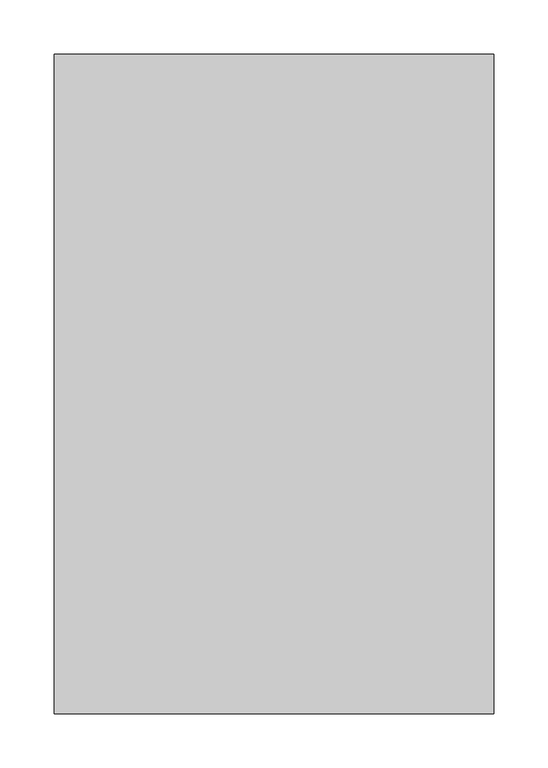
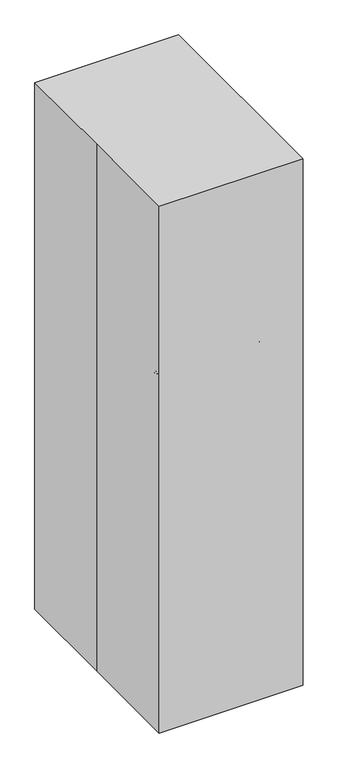
"""IFC4 building model written with IfcOpenShell, lengths in millimetres: proxy geometry."""

from ifc_helpers import new_model, si_unit, point, frame, origin, origin_with_axes, place, context, project, spatial, polyline, circle_curve, ellipse_curve, trimmed, outline, extrude, source, transform, mapped, element, save
from ifc_brep_helpers import plane_surface, cylinder_surface, revolved_surface, advanced_brep


def specialty_equipment_eab72f15(model_context):
    return source(origin(), model_context, "Body", "SolidModel", [
        advanced_brep(
        [(-123.5140783, -201.8552552, 999.8159151), (-123.5140783, -201.8552552, 996.6409151), (-136.2140783, -189.1552552, 996.6409151), (-136.2140783, -189.1552552, 999.8159151), (-123.5140783, -224.0802552, 1002.9909151), (-123.5140783, -220.9052552, 999.8159151), (-155.2640783, -189.1552552, 999.8159151), (-158.4390783, -189.1552552, 1002.9909151), (-123.5140783, -224.0802552, 1015.2574617), (-158.4390783, -189.1552552, 1015.2574617), (-123.5140783, -226.4102935, 1017.5875), (-160.7691166, -189.1552552, 1017.5875), (-123.5140783, -233.6052552, 1015.5808485), (-123.5140783, -231.5986038, 1017.5875), (-165.9574268, -189.1552552, 1017.5875), (-167.9640783, -189.1552552, 1015.5808485), (-123.5140783, -233.6052552, 1011.9917262), (-167.9640783, -189.1552552, 1011.9917262), (-123.5140783, -232.8510291, 1011.2375), (-167.2098521, -189.1552552, 1011.2375), (-123.5140783, -232.0177552, 1016.0), (-123.5140783, -232.0177552, 1011.2375), (-166.3765783, -189.1552552, 1011.2375), (-166.3765783, -189.1552552, 1016.0), (-123.5140783, -227.2552552, 1002.9909151), (-123.5140783, -227.2552552, 1016.0), (-161.6140783, -189.1552552, 1016.0), (-161.6140783, -189.1552552, 1002.9909151), (-123.5140783, -220.9052552, 996.6409151), (-155.2640783, -189.1552552, 996.6409151), (124.1359217, -201.8552552, 999.8159151), (124.1359217, -201.8552552, 996.6409151), (124.1359217, -224.0802552, 1002.9909151), (124.1359217, -220.9052552, 999.8159151), (124.1359217, -224.0802552, 1015.2574617), (124.1359217, -226.4102935, 1017.5875), (124.1359217, -233.6052552, 1015.5808485), (124.1359217, -231.5986038, 1017.5875), (124.1359217, -233.6052552, 1011.9917262), (124.1359217, -232.8510291, 1011.2375), (124.1359217, -232.0177552, 1016.0), (124.1359217, -232.0177552, 1011.2375), (124.1359217, -227.2552552, 1002.9909151), (124.1359217, -227.2552552, 1016.0), (124.1359217, -220.9052552, 996.6409151), (136.8359217, -189.1552552, 999.8159151), (136.8359217, -189.1552552, 996.6409151), (159.0609217, -189.1552552, 1002.9909151), (155.8859217, -189.1552552, 999.8159151), (159.0609217, -189.1552552, 1015.2574617), (161.39096, -189.1552552, 1017.5875), (168.5859217, -189.1552552, 1015.5808485), (166.5792702, -189.1552552, 1017.5875), (168.5859217, -189.1552552, 1011.9917262), (167.8316955, -189.1552552, 1011.2375), (166.9984217, -189.1552552, 1016.0), (166.9984217, -189.1552552, 1011.2375), (162.2359217, -189.1552552, 1002.9909151), (162.2359217, -189.1552552, 1016.0), (155.8859217, -189.1552552, 996.6409151), (136.8359217, 223.5947448, 999.8159151), (136.8359217, 223.5947448, 996.6409151), (159.0609217, 223.5947448, 1002.9909151), (155.8859217, 223.5947448, 999.8159151), (159.0609217, 223.5947448, 1015.2574617), (161.39096, 223.5947448, 1017.5875), (168.5859217, 223.5947448, 1015.5808485), (166.5792702, 223.5947448, 1017.5875), (168.5859217, 223.5947448, 1011.9917262), (167.8316955, 223.5947448, 1011.2375), (166.9984217, 223.5947448, 1016.0), (166.9984217, 223.5947448, 1011.2375), (162.2359217, 223.5947448, 1002.9909151), (162.2359217, 223.5947448, 1016.0), (155.8859217, 223.5947448, 996.6409151), (124.1359217, 236.2947448, 999.8159151), (124.1359217, 236.2947448, 996.6409151), (124.1359217, 258.5197448, 1002.9909151), (124.1359217, 255.3447448, 999.8159151), (124.1359217, 258.5197448, 1015.2574617), (124.1359217, 260.849783, 1017.5875), (124.1359217, 268.0447448, 1015.5808485), (124.1359217, 266.0380933, 1017.5875), (124.1359217, 268.0447448, 1011.9917262), (124.1359217, 267.2905186, 1011.2375), (124.1359217, 266.4572448, 1016.0), (124.1359217, 266.4572448, 1011.2375), (124.1359217, 261.6947448, 1002.9909151), (124.1359217, 261.6947448, 1016.0), (124.1359217, 255.3447448, 996.6409151), (-123.5140783, 236.2947448, 999.8159151), (-123.5140783, 236.2947448, 996.6409151), (-123.5140783, 258.5197448, 1002.9909151), (-123.5140783, 255.3447448, 999.8159151), (-123.5140783, 258.5197448, 1015.2574617), (-123.5140783, 260.849783, 1017.5875), (-123.5140783, 268.0447448, 1015.5808485), (-123.5140783, 266.0380933, 1017.5875), (-123.5140783, 268.0447448, 1011.9917262), (-123.5140783, 267.2905186, 1011.2375), (-123.5140783, 266.4572448, 1016.0), (-123.5140783, 266.4572448, 1011.2375), (-123.5140783, 261.6947448, 1002.9909151), (-123.5140783, 261.6947448, 1016.0), (-123.5140783, 255.3447448, 996.6409151), (-136.2140783, 223.5947448, 999.8159151), (-136.2140783, 223.5947448, 996.6409151), (-155.2640783, 223.5947448, 999.8159151), (-158.4390783, 223.5947448, 1002.9909151), (-158.4390783, 223.5947448, 1015.2574617), (-160.7691166, 223.5947448, 1017.5875), (-165.9574268, 223.5947448, 1017.5875), (-167.9640783, 223.5947448, 1015.5808485), (-167.9640783, 223.5947448, 1011.9917262), (-167.2098521, 223.5947448, 1011.2375), (-166.3765783, 223.5947448, 1011.2375), (-166.3765783, 223.5947448, 1016.0), (-161.6140783, 223.5947448, 1016.0), (-161.6140783, 223.5947448, 1002.9909151), (-155.2640783, 223.5947448, 996.6409151)],
        [
            (0, 1),
            (1, 2, circle_curve(frame((-123.5140783, -189.1552552, 996.6409151), z_axis=(0.0, 0.0, -1.0), x_axis=(-1.0, 0.0, 0.0)), 12.7)),
            (2, 3),
            (3, 0, circle_curve(frame((-123.5140783, -189.1552552, 999.8159151), z_axis=(0.0, 0.0, 1.0), x_axis=(-1.0, 0.0, 0.0)), 12.7)),
            (4, 5, circle_curve(frame((-123.5140783, -220.9052552, 1002.9909151), z_axis=(1.0, 0.0, 0.0), x_axis=(0.0, -1.0, 0.0)), 3.175)),
            (5, 6, circle_curve(frame((-123.5140783, -189.1552552, 999.8159151), z_axis=(0.0, 0.0, -1.0), x_axis=(-1.0, 0.0, 0.0)), 31.75)),
            (6, 7, circle_curve(frame((-155.2640783, -189.1552552, 1002.9909151), z_axis=(0.0, 1.0, 0.0), x_axis=(-1.0, 0.0, 0.0)), 3.175)),
            (7, 4, circle_curve(frame((-123.5140783, -189.1552552, 1002.9909151), z_axis=(0.0, 0.0, 1.0), x_axis=(-1.0, 0.0, 0.0)), 34.925)),
            (8, 4),
            (7, 9),
            (9, 8, circle_curve(frame((-123.5140783, -189.1552552, 1015.2574617), z_axis=(0.0, 0.0, 1.0), x_axis=(-1.0, 0.0, 0.0)), 34.925)),
            (10, 8, circle_curve(frame((-123.5140783, -226.4102935, 1015.2574617), z_axis=(-1.0, 0.0, 0.0), x_axis=(0.0, -1.0, 0.0)), 2.3300383)),
            (9, 11, circle_curve(frame((-160.7691166, -189.1552552, 1015.2574617), z_axis=(0.0, -1.0, 0.0), x_axis=(-1.0, 0.0, 0.0)), 2.3300383)),
            (11, 10, circle_curve(frame((-123.5140783, -189.1552552, 1017.5875), z_axis=(0.0, 0.0, 1.0), x_axis=(-1.0, 0.0, 0.0)), 37.2550383)),
            (12, 13, circle_curve(frame((-123.5140783, -231.5986038, 1015.5808485), z_axis=(-1.0, 0.0, 0.0), x_axis=(0.0, -1.0, 0.0)), 2.0066515)),
            (13, 14, circle_curve(frame((-123.5140783, -189.1552552, 1017.5875), z_axis=(0.0, 0.0, -1.0), x_axis=(-1.0, 0.0, 0.0)), 42.4433485)),
            (14, 15, circle_curve(frame((-165.9574268, -189.1552552, 1015.5808485), z_axis=(0.0, -1.0, 0.0), x_axis=(-1.0, 0.0, 0.0)), 2.0066515)),
            (15, 12, circle_curve(frame((-123.5140783, -189.1552552, 1015.5808485), z_axis=(0.0, 0.0, 1.0), x_axis=(-1.0, 0.0, 0.0)), 44.45)),
            (16, 12),
            (15, 17),
            (17, 16, circle_curve(frame((-123.5140783, -189.1552552, 1011.9917262), z_axis=(0.0, 0.0, 1.0), x_axis=(-1.0, 0.0, 0.0)), 44.45)),
            (18, 16, circle_curve(frame((-123.5140783, -232.8510291, 1011.9917262), z_axis=(-1.0, 0.0, 0.0), x_axis=(0.0, -1.0, 0.0)), 0.7542262)),
            (17, 19, circle_curve(frame((-167.2098521, -189.1552552, 1011.9917262), z_axis=(0.0, -1.0, 0.0), x_axis=(-1.0, 0.0, 0.0)), 0.7542262)),
            (19, 18, circle_curve(frame((-123.5140783, -189.1552552, 1011.2375), z_axis=(0.0, 0.0, 1.0), x_axis=(-1.0, 0.0, 0.0)), 43.6957738)),
            (20, 21),
            (21, 22, circle_curve(frame((-123.5140783, -189.1552552, 1011.2375), z_axis=(0.0, 0.0, -1.0), x_axis=(-1.0, 0.0, 0.0)), 42.8625)),
            (22, 23),
            (23, 20, circle_curve(frame((-123.5140783, -189.1552552, 1016.0), z_axis=(0.0, 0.0, 1.0), x_axis=(-1.0, 0.0, 0.0)), 42.8625)),
            (24, 25),
            (25, 26, circle_curve(frame((-123.5140783, -189.1552552, 1016.0), z_axis=(0.0, 0.0, -1.0), x_axis=(-1.0, 0.0, 0.0)), 38.1)),
            (26, 27),
            (27, 24, circle_curve(frame((-123.5140783, -189.1552552, 1002.9909151), z_axis=(0.0, 0.0, 1.0), x_axis=(-1.0, 0.0, 0.0)), 38.1)),
            (28, 24, circle_curve(frame((-123.5140783, -220.9052552, 1002.9909151), z_axis=(-1.0, 0.0, 0.0), x_axis=(0.0, -1.0, 0.0)), 6.35)),
            (27, 29, circle_curve(frame((-155.2640783, -189.1552552, 1002.9909151), z_axis=(0.0, -1.0, 0.0), x_axis=(-1.0, 0.0, 0.0)), 6.35)),
            (29, 28, circle_curve(frame((-123.5140783, -189.1552552, 996.6409151), z_axis=(0.0, 0.0, 1.0), x_axis=(-1.0, 0.0, 0.0)), 31.75)),
            (0, 30),
            (30, 31),
            (31, 1),
            (4, 32),
            (32, 33, circle_curve(frame((124.1359217, -220.9052552, 1002.9909151), z_axis=(1.0, 0.0, 0.0), x_axis=(0.0, -1.0, 0.0)), 3.175)),
            (33, 5),
            (8, 34),
            (34, 32),
            (10, 35),
            (35, 34, circle_curve(frame((124.1359217, -226.4102935, 1015.2574617), z_axis=(-1.0, 0.0, 0.0), x_axis=(0.0, -1.0, 0.0)), 2.3300383)),
            (12, 36),
            (36, 37, circle_curve(frame((124.1359217, -231.5986038, 1015.5808485), z_axis=(-1.0, 0.0, 0.0), x_axis=(0.0, -1.0, 0.0)), 2.0066515)),
            (37, 13),
            (16, 38),
            (38, 36),
            (18, 39),
            (39, 38, circle_curve(frame((124.1359217, -232.8510291, 1011.9917262), z_axis=(-1.0, 0.0, 0.0), x_axis=(0.0, -1.0, 0.0)), 0.7542262)),
            (20, 40),
            (40, 41),
            (41, 21),
            (24, 42),
            (42, 43),
            (43, 25),
            (28, 44),
            (44, 42, circle_curve(frame((124.1359217, -220.9052552, 1002.9909151), z_axis=(-1.0, 0.0, 0.0), x_axis=(0.0, -1.0, 0.0)), 6.35)),
            (45, 46),
            (46, 31, circle_curve(frame((124.1359217, -189.1552552, 996.6409151), z_axis=(0.0, 0.0, -1.0), x_axis=(0.0, -1.0, 0.0)), 12.7)),
            (30, 45, circle_curve(frame((124.1359217, -189.1552552, 999.8159151), z_axis=(0.0, 0.0, 1.0), x_axis=(0.0, -1.0, 0.0)), 12.7)),
            (47, 48, circle_curve(frame((155.8859217, -189.1552552, 1002.9909151), z_axis=(0.0, 1.0, 0.0), x_axis=(1.0, 0.0, 0.0)), 3.175)),
            (48, 33, circle_curve(frame((124.1359217, -189.1552552, 999.8159151), z_axis=(0.0, 0.0, -1.0), x_axis=(0.0, -1.0, 0.0)), 31.75)),
            (32, 47, circle_curve(frame((124.1359217, -189.1552552, 1002.9909151), z_axis=(0.0, 0.0, 1.0), x_axis=(0.0, -1.0, 0.0)), 34.925)),
            (49, 47),
            (34, 49, circle_curve(frame((124.1359217, -189.1552552, 1015.2574617), z_axis=(0.0, 0.0, 1.0), x_axis=(0.0, -1.0, 0.0)), 34.925)),
            (50, 49, circle_curve(frame((161.39096, -189.1552552, 1015.2574617), z_axis=(0.0, -1.0, 0.0), x_axis=(1.0, 0.0, 0.0)), 2.3300383)),
            (35, 50, circle_curve(frame((124.1359217, -189.1552552, 1017.5875), z_axis=(0.0, 0.0, 1.0), x_axis=(0.0, -1.0, 0.0)), 37.2550383)),
            (51, 52, circle_curve(frame((166.5792702, -189.1552552, 1015.5808485), z_axis=(0.0, -1.0, 0.0), x_axis=(1.0, 0.0, 0.0)), 2.0066515)),
            (52, 37, circle_curve(frame((124.1359217, -189.1552552, 1017.5875), z_axis=(0.0, 0.0, -1.0), x_axis=(0.0, -1.0, 0.0)), 42.4433485)),
            (36, 51, circle_curve(frame((124.1359217, -189.1552552, 1015.5808485), z_axis=(0.0, 0.0, 1.0), x_axis=(0.0, -1.0, 0.0)), 44.45)),
            (53, 51),
            (38, 53, circle_curve(frame((124.1359217, -189.1552552, 1011.9917262), z_axis=(0.0, 0.0, 1.0), x_axis=(0.0, -1.0, 0.0)), 44.45)),
            (54, 53, circle_curve(frame((167.8316955, -189.1552552, 1011.9917262), z_axis=(0.0, -1.0, 0.0), x_axis=(1.0, 0.0, 0.0)), 0.7542262)),
            (39, 54, circle_curve(frame((124.1359217, -189.1552552, 1011.2375), z_axis=(0.0, 0.0, 1.0), x_axis=(0.0, -1.0, 0.0)), 43.6957738)),
            (55, 56),
            (56, 41, circle_curve(frame((124.1359217, -189.1552552, 1011.2375), z_axis=(0.0, 0.0, -1.0), x_axis=(0.0, -1.0, 0.0)), 42.8625)),
            (40, 55, circle_curve(frame((124.1359217, -189.1552552, 1016.0), z_axis=(0.0, 0.0, 1.0), x_axis=(0.0, -1.0, 0.0)), 42.8625)),
            (57, 58),
            (58, 43, circle_curve(frame((124.1359217, -189.1552552, 1016.0), z_axis=(0.0, 0.0, -1.0), x_axis=(0.0, -1.0, 0.0)), 38.1)),
            (42, 57, circle_curve(frame((124.1359217, -189.1552552, 1002.9909151), z_axis=(0.0, 0.0, 1.0), x_axis=(0.0, -1.0, 0.0)), 38.1)),
            (59, 57, circle_curve(frame((155.8859217, -189.1552552, 1002.9909151), z_axis=(0.0, -1.0, 0.0), x_axis=(1.0, 0.0, 0.0)), 6.35)),
            (44, 59, circle_curve(frame((124.1359217, -189.1552552, 996.6409151), z_axis=(0.0, 0.0, 1.0), x_axis=(0.0, -1.0, 0.0)), 31.75)),
            (45, 60),
            (60, 61),
            (61, 46),
            (47, 62),
            (62, 63, circle_curve(frame((155.8859217, 223.5947448, 1002.9909151), z_axis=(0.0, 1.0, 0.0), x_axis=(1.0, 0.0, 0.0)), 3.175)),
            (63, 48),
            (49, 64),
            (64, 62),
            (50, 65),
            (65, 64, circle_curve(frame((161.39096, 223.5947448, 1015.2574617), z_axis=(0.0, -1.0, 0.0), x_axis=(1.0, 0.0, 0.0)), 2.3300383)),
            (51, 66),
            (66, 67, circle_curve(frame((166.5792702, 223.5947448, 1015.5808485), z_axis=(0.0, -1.0, 0.0), x_axis=(1.0, 0.0, 0.0)), 2.0066515)),
            (67, 52),
            (53, 68),
            (68, 66),
            (54, 69),
            (69, 68, circle_curve(frame((167.8316955, 223.5947448, 1011.9917262), z_axis=(0.0, -1.0, 0.0), x_axis=(1.0, 0.0, 0.0)), 0.7542262)),
            (55, 70),
            (70, 71),
            (71, 56),
            (57, 72),
            (72, 73),
            (73, 58),
            (59, 74),
            (74, 72, circle_curve(frame((155.8859217, 223.5947448, 1002.9909151), z_axis=(0.0, -1.0, 0.0), x_axis=(1.0, 0.0, 0.0)), 6.35)),
            (75, 76),
            (76, 61, circle_curve(frame((124.1359217, 223.5947448, 996.6409151), z_axis=(0.0, 0.0, -1.0), x_axis=(1.0, 0.0, 0.0)), 12.7)),
            (60, 75, circle_curve(frame((124.1359217, 223.5947448, 999.8159151), z_axis=(0.0, 0.0, 1.0), x_axis=(1.0, 0.0, 0.0)), 12.7)),
            (77, 78, circle_curve(frame((124.1359217, 255.3447448, 1002.9909151), z_axis=(-1.0, 0.0, 0.0), x_axis=(0.0, 1.0, 0.0)), 3.175)),
            (78, 63, circle_curve(frame((124.1359217, 223.5947448, 999.8159151), z_axis=(0.0, 0.0, -1.0), x_axis=(1.0, 0.0, 0.0)), 31.75)),
            (62, 77, circle_curve(frame((124.1359217, 223.5947448, 1002.9909151), z_axis=(0.0, 0.0, 1.0), x_axis=(1.0, 0.0, 0.0)), 34.925)),
            (79, 77),
            (64, 79, circle_curve(frame((124.1359217, 223.5947448, 1015.2574617), z_axis=(0.0, 0.0, 1.0), x_axis=(1.0, 0.0, 0.0)), 34.925)),
            (80, 79, circle_curve(frame((124.1359217, 260.849783, 1015.2574617), z_axis=(1.0, 0.0, 0.0), x_axis=(0.0, 1.0, 0.0)), 2.3300383)),
            (65, 80, circle_curve(frame((124.1359217, 223.5947448, 1017.5875), z_axis=(0.0, 0.0, 1.0), x_axis=(1.0, 0.0, 0.0)), 37.2550383)),
            (81, 82, circle_curve(frame((124.1359217, 266.0380933, 1015.5808485), z_axis=(1.0, 0.0, 0.0), x_axis=(0.0, 1.0, 0.0)), 2.0066515)),
            (82, 67, circle_curve(frame((124.1359217, 223.5947448, 1017.5875), z_axis=(0.0, 0.0, -1.0), x_axis=(1.0, 0.0, 0.0)), 42.4433485)),
            (66, 81, circle_curve(frame((124.1359217, 223.5947448, 1015.5808485), z_axis=(0.0, 0.0, 1.0), x_axis=(1.0, 0.0, 0.0)), 44.45)),
            (83, 81),
            (68, 83, circle_curve(frame((124.1359217, 223.5947448, 1011.9917262), z_axis=(0.0, 0.0, 1.0), x_axis=(1.0, 0.0, 0.0)), 44.45)),
            (84, 83, circle_curve(frame((124.1359217, 267.2905186, 1011.9917262), z_axis=(1.0, 0.0, 0.0), x_axis=(0.0, 1.0, 0.0)), 0.7542262)),
            (69, 84, circle_curve(frame((124.1359217, 223.5947448, 1011.2375), z_axis=(0.0, 0.0, 1.0), x_axis=(1.0, 0.0, 0.0)), 43.6957738)),
            (85, 86),
            (86, 71, circle_curve(frame((124.1359217, 223.5947448, 1011.2375), z_axis=(0.0, 0.0, -1.0), x_axis=(1.0, 0.0, 0.0)), 42.8625)),
            (70, 85, circle_curve(frame((124.1359217, 223.5947448, 1016.0), z_axis=(0.0, 0.0, 1.0), x_axis=(1.0, 0.0, 0.0)), 42.8625)),
            (87, 88),
            (88, 73, circle_curve(frame((124.1359217, 223.5947448, 1016.0), z_axis=(0.0, 0.0, -1.0), x_axis=(1.0, 0.0, 0.0)), 38.1)),
            (72, 87, circle_curve(frame((124.1359217, 223.5947448, 1002.9909151), z_axis=(0.0, 0.0, 1.0), x_axis=(1.0, 0.0, 0.0)), 38.1)),
            (89, 87, circle_curve(frame((124.1359217, 255.3447448, 1002.9909151), z_axis=(1.0, 0.0, 0.0), x_axis=(0.0, 1.0, 0.0)), 6.35)),
            (74, 89, circle_curve(frame((124.1359217, 223.5947448, 996.6409151), z_axis=(0.0, 0.0, 1.0), x_axis=(1.0, 0.0, 0.0)), 31.75)),
            (75, 90),
            (90, 91),
            (91, 76),
            (77, 92),
            (92, 93, circle_curve(frame((-123.5140783, 255.3447448, 1002.9909151), z_axis=(-1.0, 0.0, 0.0), x_axis=(0.0, 1.0, 0.0)), 3.175)),
            (93, 78),
            (79, 94),
            (94, 92),
            (80, 95),
            (95, 94, circle_curve(frame((-123.5140783, 260.849783, 1015.2574617), z_axis=(1.0, 0.0, 0.0), x_axis=(0.0, 1.0, 0.0)), 2.3300383)),
            (81, 96),
            (96, 97, circle_curve(frame((-123.5140783, 266.0380933, 1015.5808485), z_axis=(1.0, 0.0, 0.0), x_axis=(0.0, 1.0, 0.0)), 2.0066515)),
            (97, 82),
            (83, 98),
            (98, 96),
            (84, 99),
            (99, 98, circle_curve(frame((-123.5140783, 267.2905186, 1011.9917262), z_axis=(1.0, 0.0, 0.0), x_axis=(0.0, 1.0, 0.0)), 0.7542262)),
            (85, 100),
            (100, 101),
            (101, 86),
            (87, 102),
            (102, 103),
            (103, 88),
            (89, 104),
            (104, 102, circle_curve(frame((-123.5140783, 255.3447448, 1002.9909151), z_axis=(1.0, 0.0, 0.0), x_axis=(0.0, 1.0, 0.0)), 6.35)),
            (105, 106),
            (106, 91, circle_curve(frame((-123.5140783, 223.5947448, 996.6409151), z_axis=(0.0, 0.0, -1.0), x_axis=(0.0, 1.0, 0.0)), 12.7)),
            (90, 105, circle_curve(frame((-123.5140783, 223.5947448, 999.8159151), z_axis=(0.0, 0.0, 1.0), x_axis=(0.0, 1.0, 0.0)), 12.7)),
            (107, 6),
            (93, 107, circle_curve(frame((-123.5140783, 223.5947448, 999.8159151), z_axis=(0.0, 0.0, 1.0), x_axis=(0.0, 1.0, 0.0)), 31.75)),
            (3, 105),
            (108, 107, circle_curve(frame((-155.2640783, 223.5947448, 1002.9909151), z_axis=(0.0, -1.0, 0.0), x_axis=(-1.0, 0.0, 0.0)), 3.175)),
            (92, 108, circle_curve(frame((-123.5140783, 223.5947448, 1002.9909151), z_axis=(0.0, 0.0, 1.0), x_axis=(0.0, 1.0, 0.0)), 34.925)),
            (109, 108),
            (94, 109, circle_curve(frame((-123.5140783, 223.5947448, 1015.2574617), z_axis=(0.0, 0.0, 1.0), x_axis=(0.0, 1.0, 0.0)), 34.925)),
            (110, 109, circle_curve(frame((-160.7691166, 223.5947448, 1015.2574617), z_axis=(0.0, 1.0, 0.0), x_axis=(-1.0, 0.0, 0.0)), 2.3300383)),
            (95, 110, circle_curve(frame((-123.5140783, 223.5947448, 1017.5875), z_axis=(0.0, 0.0, 1.0), x_axis=(0.0, 1.0, 0.0)), 37.2550383)),
            (111, 14),
            (97, 111, circle_curve(frame((-123.5140783, 223.5947448, 1017.5875), z_axis=(0.0, 0.0, 1.0), x_axis=(0.0, 1.0, 0.0)), 42.4433485)),
            (11, 110),
            (112, 111, circle_curve(frame((-165.9574268, 223.5947448, 1015.5808485), z_axis=(0.0, 1.0, 0.0), x_axis=(-1.0, 0.0, 0.0)), 2.0066515)),
            (96, 112, circle_curve(frame((-123.5140783, 223.5947448, 1015.5808485), z_axis=(0.0, 0.0, 1.0), x_axis=(0.0, 1.0, 0.0)), 44.45)),
            (113, 112),
            (98, 113, circle_curve(frame((-123.5140783, 223.5947448, 1011.9917262), z_axis=(0.0, 0.0, 1.0), x_axis=(0.0, 1.0, 0.0)), 44.45)),
            (114, 113, circle_curve(frame((-167.2098521, 223.5947448, 1011.9917262), z_axis=(0.0, 1.0, 0.0), x_axis=(-1.0, 0.0, 0.0)), 0.7542262)),
            (99, 114, circle_curve(frame((-123.5140783, 223.5947448, 1011.2375), z_axis=(0.0, 0.0, 1.0), x_axis=(0.0, 1.0, 0.0)), 43.6957738)),
            (19, 114),
            (115, 22),
            (101, 115, circle_curve(frame((-123.5140783, 223.5947448, 1011.2375), z_axis=(0.0, 0.0, 1.0), x_axis=(0.0, 1.0, 0.0)), 42.8625)),
            (116, 115),
            (100, 116, circle_curve(frame((-123.5140783, 223.5947448, 1016.0), z_axis=(0.0, 0.0, 1.0), x_axis=(0.0, 1.0, 0.0)), 42.8625)),
            (23, 116),
            (117, 26),
            (103, 117, circle_curve(frame((-123.5140783, 223.5947448, 1016.0), z_axis=(0.0, 0.0, 1.0), x_axis=(0.0, 1.0, 0.0)), 38.1)),
            (118, 117),
            (102, 118, circle_curve(frame((-123.5140783, 223.5947448, 1002.9909151), z_axis=(0.0, 0.0, 1.0), x_axis=(0.0, 1.0, 0.0)), 38.1)),
            (119, 118, circle_curve(frame((-155.2640783, 223.5947448, 1002.9909151), z_axis=(0.0, 1.0, 0.0), x_axis=(-1.0, 0.0, 0.0)), 6.35)),
            (104, 119, circle_curve(frame((-123.5140783, 223.5947448, 996.6409151), z_axis=(0.0, 0.0, 1.0), x_axis=(0.0, 1.0, 0.0)), 31.75)),
            (29, 119),
            (106, 2),
            (108, 7),
            (109, 9),
            (112, 15),
            (113, 17),
            (118, 27),
        ],
        [
            revolved_surface(polyline([(-136.21407829999998, -189.1552552, 996.6409151), (-136.21407829999998, -189.1552552, 999.8159151)]), (-123.5140783, -189.1552552, 977.5909151), (0.0, 0.0, -1.0)),
            revolved_surface(trimmed(ellipse_curve(frame((-155.2640783, -189.1552552, 1002.9909151), z_axis=(0.0, 1.0, 0.0), x_axis=(-1.0, 0.0, 0.0)), 3.175, 3.175), [point((-155.2640783, -189.1552552, 999.8159151))], [point((-158.4390783, -189.1552552, 1002.9909151))], True, "CARTESIAN"), (-123.5140783, -189.1552552, 977.5909151), (0.0, 0.0, -1.0)),
            revolved_surface(polyline([(-158.4390783, -189.1552552, 1002.9909151), (-158.4390783, -189.1552552, 1015.2574617)]), (-123.5140783, -189.1552552, 977.5909151), (0.0, 0.0, -1.0)),
            revolved_surface(trimmed(ellipse_curve(frame((-160.7691166, -189.1552552, 1015.2574617), z_axis=(0.0, -1.0, 0.0), x_axis=(-1.0, 0.0, 0.0)), 2.3300383, 2.3300383), [point((-158.4390783, -189.1552552, 1015.2574617))], [point((-160.7691166, -189.1552552, 1017.5875))], True, "CARTESIAN"), (-123.5140783, -189.1552552, 977.5909151), (0.0, 0.0, -1.0)),
            revolved_surface(trimmed(ellipse_curve(frame((-165.9574268, -189.1552552, 1015.5808485), z_axis=(0.0, -1.0, 0.0), x_axis=(-1.0, 0.0, 0.0)), 2.0066515, 2.0066515), [point((-165.9574268, -189.1552552, 1017.5875))], [point((-167.9640783, -189.1552552, 1015.5808485))], True, "CARTESIAN"), (-123.5140783, -189.1552552, 977.5909151), (0.0, 0.0, -1.0)),
            cylinder_surface(frame((-123.5140783, -189.1552552, 977.5909151), z_axis=(0.0, 0.0, -1.0), x_axis=(-1.0, 0.0, 0.0)), 44.45),
            revolved_surface(trimmed(ellipse_curve(frame((-167.2098521, -189.1552552, 1011.9917262), z_axis=(0.0, -1.0, 0.0), x_axis=(-1.0, 0.0, 0.0)), 0.7542262, 0.7542262), [point((-167.9640783, -189.1552552, 1011.9917262))], [point((-167.2098521, -189.1552552, 1011.2375))], True, "CARTESIAN"), (-123.5140783, -189.1552552, 977.5909151), (0.0, 0.0, -1.0)),
            revolved_surface(polyline([(-166.3765783, -189.1552552, 1011.2375), (-166.3765783, -189.1552552, 1016.0)]), (-123.5140783, -189.1552552, 977.5909151), (0.0, 0.0, -1.0)),
            cylinder_surface(frame((-123.5140783, -189.1552552, 977.5909151), z_axis=(0.0, 0.0, -1.0), x_axis=(-1.0, 0.0, 0.0)), 38.1),
            revolved_surface(trimmed(ellipse_curve(frame((-155.2640783, -189.1552552, 1002.9909151), z_axis=(0.0, -1.0, 0.0), x_axis=(-1.0, 0.0, 0.0)), 6.35, 6.35), [point((-161.6140783, -189.1552552, 1002.9909151))], [point((-155.2640783, -189.1552552, 996.6409151))], True, "CARTESIAN"), (-123.5140783, -189.1552552, 977.5909151), (0.0, 0.0, -1.0)),
            plane_surface(frame((-123.5140783, -201.8552552, 996.6409151), z_axis=(0.0, 1.0, 0.0), x_axis=(1.0, 0.0, 0.0))),
            revolved_surface(polyline([(124.13592169999998, -224.0802552, 1002.9909151), (-123.5140783, -224.0802552, 1002.9909151)]), (-123.5140783, -220.9052552, 1002.9909151), (1.0, 0.0, 0.0)),
            plane_surface(frame((-123.5140783, -224.0802552, 1002.9909151), z_axis=(0.0, 1.0, 0.0), x_axis=(1.0, 0.0, 0.0))),
            cylinder_surface(frame((-123.5140783, -226.4102935, 1015.2574617), z_axis=(-1.0, 0.0, 0.0), x_axis=(0.0, -1.0, 0.0)), 2.3300383),
            cylinder_surface(frame((-123.5140783, -231.5986038, 1015.5808485), z_axis=(-1.0, 0.0, 0.0), x_axis=(0.0, -1.0, 0.0)), 2.0066515),
            plane_surface(frame((-123.5140783, -233.6052552, 1015.5808485), z_axis=(0.0, -1.0, 0.0), x_axis=(1.0, 0.0, 0.0))),
            cylinder_surface(frame((-123.5140783, -232.8510291, 1011.9917262), z_axis=(-1.0, 0.0, 0.0), x_axis=(0.0, -1.0, 0.0)), 0.7542262),
            plane_surface(frame((-123.5140783, -232.0177552, 1011.2375), z_axis=(0.0, 1.0, 0.0), x_axis=(1.0, 0.0, 0.0))),
            plane_surface(frame((-123.5140783, -227.2552552, 1016.0), z_axis=(0.0, -1.0, 0.0), x_axis=(1.0, 0.0, 0.0))),
            cylinder_surface(frame((-123.5140783, -220.9052552, 1002.9909151), z_axis=(-1.0, 0.0, 0.0), x_axis=(0.0, -1.0, 0.0)), 6.35),
            revolved_surface(polyline([(124.1359217, -201.8552552, 996.6409151), (124.1359217, -201.8552552, 999.8159151)]), (124.1359217, -189.1552552, 977.5909151), (0.0, 0.0, -1.0)),
            revolved_surface(trimmed(ellipse_curve(frame((124.1359217, -220.9052552, 1002.9909151), z_axis=(-1.0, 0.0, 0.0), x_axis=(0.0, -1.0, 0.0)), 3.175, 3.175), [point((124.1359217, -220.9052552, 999.8159151))], [point((124.1359217, -224.0802552, 1002.9909151))], True, "CARTESIAN"), (124.1359217, -189.1552552, 977.5909151), (0.0, 0.0, -1.0)),
            revolved_surface(polyline([(124.1359217, -224.0802552, 1002.9909151), (124.1359217, -224.0802552, 1015.2574617)]), (124.1359217, -189.1552552, 977.5909151), (0.0, 0.0, -1.0)),
            revolved_surface(trimmed(ellipse_curve(frame((124.1359217, -226.4102935, 1015.2574617), z_axis=(1.0, 0.0, 0.0), x_axis=(0.0, -1.0, 0.0)), 2.3300383, 2.3300383), [point((124.1359217, -224.0802552, 1015.2574617))], [point((124.1359217, -226.4102935, 1017.5875))], True, "CARTESIAN"), (124.1359217, -189.1552552, 977.5909151), (0.0, 0.0, -1.0)),
            revolved_surface(trimmed(ellipse_curve(frame((124.1359217, -231.5986038, 1015.5808485), z_axis=(1.0, 0.0, 0.0), x_axis=(0.0, -1.0, 0.0)), 2.0066515, 2.0066515), [point((124.1359217, -231.5986038, 1017.5875))], [point((124.1359217, -233.6052552, 1015.5808485))], True, "CARTESIAN"), (124.1359217, -189.1552552, 977.5909151), (0.0, 0.0, -1.0)),
            cylinder_surface(frame((124.1359217, -189.1552552, 977.5909151), z_axis=(0.0, 0.0, -1.0), x_axis=(0.0, -1.0, 0.0)), 44.45),
            revolved_surface(trimmed(ellipse_curve(frame((124.1359217, -232.8510291, 1011.9917262), z_axis=(1.0, 0.0, 0.0), x_axis=(0.0, -1.0, 0.0)), 0.7542262, 0.7542262), [point((124.1359217, -233.6052552, 1011.9917262))], [point((124.1359217, -232.8510291, 1011.2375))], True, "CARTESIAN"), (124.1359217, -189.1552552, 977.5909151), (0.0, 0.0, -1.0)),
            revolved_surface(polyline([(124.1359217, -232.0177552, 1011.2375), (124.1359217, -232.0177552, 1016.0)]), (124.1359217, -189.1552552, 977.5909151), (0.0, 0.0, -1.0)),
            cylinder_surface(frame((124.1359217, -189.1552552, 977.5909151), z_axis=(0.0, 0.0, -1.0), x_axis=(0.0, -1.0, 0.0)), 38.1),
            revolved_surface(trimmed(ellipse_curve(frame((124.1359217, -220.9052552, 1002.9909151), z_axis=(1.0, 0.0, 0.0), x_axis=(0.0, -1.0, 0.0)), 6.35, 6.35), [point((124.1359217, -227.2552552, 1002.9909151))], [point((124.1359217, -220.9052552, 996.6409151))], True, "CARTESIAN"), (124.1359217, -189.1552552, 977.5909151), (0.0, 0.0, -1.0)),
            plane_surface(frame((136.8359217, -189.1552552, 996.6409151), z_axis=(-1.0, 0.0, 0.0), x_axis=(0.0, 1.0, 0.0))),
            revolved_surface(polyline([(159.06092170000002, 223.5947448, 1002.9909151), (159.06092170000002, -189.1552552, 1002.9909151)]), (155.8859217, -189.1552552, 1002.9909151), (0.0, 1.0, 0.0)),
            plane_surface(frame((159.0609217, -189.1552552, 1002.9909151), z_axis=(-1.0, 0.0, 0.0), x_axis=(0.0, 1.0, 0.0))),
            cylinder_surface(frame((161.39096, -189.1552552, 1015.2574617), z_axis=(0.0, -1.0, 0.0), x_axis=(1.0, 0.0, 0.0)), 2.3300383),
            cylinder_surface(frame((166.5792702, -189.1552552, 1015.5808485), z_axis=(0.0, -1.0, 0.0), x_axis=(1.0, 0.0, 0.0)), 2.0066515),
            plane_surface(frame((168.5859217, -189.1552552, 1015.5808485), z_axis=(1.0, 0.0, 0.0), x_axis=(0.0, 1.0, 0.0))),
            cylinder_surface(frame((167.8316955, -189.1552552, 1011.9917262), z_axis=(0.0, -1.0, 0.0), x_axis=(1.0, 0.0, 0.0)), 0.7542262),
            plane_surface(frame((166.9984217, -189.1552552, 1011.2375), z_axis=(-1.0, 0.0, 0.0), x_axis=(0.0, 1.0, 0.0))),
            plane_surface(frame((162.2359217, -189.1552552, 1016.0), z_axis=(1.0, 0.0, 0.0), x_axis=(0.0, 1.0, 0.0))),
            cylinder_surface(frame((155.8859217, -189.1552552, 1002.9909151), z_axis=(0.0, -1.0, 0.0), x_axis=(1.0, 0.0, 0.0)), 6.35),
            revolved_surface(polyline([(136.8359217, 223.5947448, 996.6409151), (136.8359217, 223.5947448, 999.8159151)]), (124.1359217, 223.5947448, 977.5909151), (0.0, 0.0, -1.0)),
            revolved_surface(trimmed(ellipse_curve(frame((155.8859217, 223.5947448, 1002.9909151), z_axis=(0.0, -1.0, 0.0), x_axis=(1.0, 0.0, 0.0)), 3.175, 3.175), [point((155.8859217, 223.5947448, 999.8159151))], [point((159.0609217, 223.5947448, 1002.9909151))], True, "CARTESIAN"), (124.1359217, 223.5947448, 977.5909151), (0.0, 0.0, -1.0)),
            revolved_surface(polyline([(159.0609217, 223.5947448, 1002.9909151), (159.0609217, 223.5947448, 1015.2574617)]), (124.1359217, 223.5947448, 977.5909151), (0.0, 0.0, -1.0)),
            revolved_surface(trimmed(ellipse_curve(frame((161.39096, 223.5947448, 1015.2574617), z_axis=(0.0, 1.0, 0.0), x_axis=(1.0, 0.0, 0.0)), 2.3300383, 2.3300383), [point((159.0609217, 223.5947448, 1015.2574617))], [point((161.39096, 223.5947448, 1017.5875))], True, "CARTESIAN"), (124.1359217, 223.5947448, 977.5909151), (0.0, 0.0, -1.0)),
            revolved_surface(trimmed(ellipse_curve(frame((166.5792702, 223.5947448, 1015.5808485), z_axis=(0.0, 1.0, 0.0), x_axis=(1.0, 0.0, 0.0)), 2.0066515, 2.0066515), [point((166.5792702, 223.5947448, 1017.5875))], [point((168.5859217, 223.5947448, 1015.5808485))], True, "CARTESIAN"), (124.1359217, 223.5947448, 977.5909151), (0.0, 0.0, -1.0)),
            cylinder_surface(frame((124.1359217, 223.5947448, 977.5909151), z_axis=(0.0, 0.0, -1.0), x_axis=(1.0, 0.0, 0.0)), 44.45),
            revolved_surface(trimmed(ellipse_curve(frame((167.8316955, 223.5947448, 1011.9917262), z_axis=(0.0, 1.0, 0.0), x_axis=(1.0, 0.0, 0.0)), 0.7542262, 0.7542262), [point((168.5859217, 223.5947448, 1011.9917262))], [point((167.8316955, 223.5947448, 1011.2375))], True, "CARTESIAN"), (124.1359217, 223.5947448, 977.5909151), (0.0, 0.0, -1.0)),
            revolved_surface(polyline([(166.9984217, 223.5947448, 1011.2375), (166.9984217, 223.5947448, 1016.0)]), (124.1359217, 223.5947448, 977.5909151), (0.0, 0.0, -1.0)),
            cylinder_surface(frame((124.1359217, 223.5947448, 977.5909151), z_axis=(0.0, 0.0, -1.0), x_axis=(1.0, 0.0, 0.0)), 38.1),
            revolved_surface(trimmed(ellipse_curve(frame((155.8859217, 223.5947448, 1002.9909151), z_axis=(0.0, 1.0, 0.0), x_axis=(1.0, 0.0, 0.0)), 6.35, 6.35), [point((162.2359217, 223.5947448, 1002.9909151))], [point((155.8859217, 223.5947448, 996.6409151))], True, "CARTESIAN"), (124.1359217, 223.5947448, 977.5909151), (0.0, 0.0, -1.0)),
            plane_surface(frame((124.1359217, 236.2947448, 996.6409151), z_axis=(0.0, -1.0, 0.0), x_axis=(-1.0, 0.0, 0.0))),
            revolved_surface(polyline([(-123.51407829999998, 258.5197448, 1002.9909151), (124.1359217, 258.5197448, 1002.9909151)]), (124.1359217, 255.3447448, 1002.9909151), (-1.0, 0.0, 0.0)),
            plane_surface(frame((124.1359217, 258.5197448, 1002.9909151), z_axis=(0.0, -1.0, 0.0), x_axis=(-1.0, 0.0, 0.0))),
            cylinder_surface(frame((124.1359217, 260.849783, 1015.2574617), z_axis=(1.0, 0.0, 0.0), x_axis=(0.0, 1.0, 0.0)), 2.3300383),
            cylinder_surface(frame((124.1359217, 266.0380933, 1015.5808485), z_axis=(1.0, 0.0, 0.0), x_axis=(0.0, 1.0, 0.0)), 2.0066515),
            plane_surface(frame((124.1359217, 268.0447448, 1015.5808485), z_axis=(0.0, 1.0, 0.0), x_axis=(-1.0, 0.0, 0.0))),
            cylinder_surface(frame((124.1359217, 267.2905186, 1011.9917262), z_axis=(1.0, 0.0, 0.0), x_axis=(0.0, 1.0, 0.0)), 0.7542262),
            plane_surface(frame((124.1359217, 266.4572448, 1011.2375), z_axis=(0.0, -1.0, 0.0), x_axis=(-1.0, 0.0, 0.0))),
            plane_surface(frame((124.1359217, 261.6947448, 1016.0), z_axis=(0.0, 1.0, 0.0), x_axis=(-1.0, 0.0, 0.0))),
            cylinder_surface(frame((124.1359217, 255.3447448, 1002.9909151), z_axis=(1.0, 0.0, 0.0), x_axis=(0.0, 1.0, 0.0)), 6.35),
            revolved_surface(polyline([(-123.5140783, 236.2947448, 996.6409151), (-123.5140783, 236.2947448, 999.8159151)]), (-123.5140783, 223.5947448, 977.5909151), (0.0, 0.0, -1.0)),
            plane_surface(frame((-123.5140783, 223.5947448, 999.8159151), z_axis=(0.0, 0.0, 1.0), x_axis=(0.0, 1.0, 0.0))),
            revolved_surface(trimmed(ellipse_curve(frame((-123.5140783, 255.3447448, 1002.9909151), z_axis=(1.0, 0.0, 0.0), x_axis=(0.0, 1.0, 0.0)), 3.175, 3.175), [point((-123.5140783, 255.3447448, 999.8159151))], [point((-123.5140783, 258.5197448, 1002.9909151))], True, "CARTESIAN"), (-123.5140783, 223.5947448, 977.5909151), (0.0, 0.0, -1.0)),
            revolved_surface(polyline([(-123.5140783, 258.5197448, 1002.9909151), (-123.5140783, 258.5197448, 1015.2574617)]), (-123.5140783, 223.5947448, 977.5909151), (0.0, 0.0, -1.0)),
            revolved_surface(trimmed(ellipse_curve(frame((-123.5140783, 260.849783, 1015.2574617), z_axis=(-1.0, 0.0, 0.0), x_axis=(0.0, 1.0, 0.0)), 2.3300383, 2.3300383), [point((-123.5140783, 258.5197448, 1015.2574617))], [point((-123.5140783, 260.849783, 1017.5875))], True, "CARTESIAN"), (-123.5140783, 223.5947448, 977.5909151), (0.0, 0.0, -1.0)),
            plane_surface(frame((-123.5140783, 223.5947448, 1017.5875), z_axis=(0.0, 0.0, 1.0), x_axis=(0.0, 1.0, 0.0))),
            revolved_surface(trimmed(ellipse_curve(frame((-123.5140783, 266.0380933, 1015.5808485), z_axis=(-1.0, 0.0, 0.0), x_axis=(0.0, 1.0, 0.0)), 2.0066515, 2.0066515), [point((-123.5140783, 266.0380933, 1017.5875))], [point((-123.5140783, 268.0447448, 1015.5808485))], True, "CARTESIAN"), (-123.5140783, 223.5947448, 977.5909151), (0.0, 0.0, -1.0)),
            cylinder_surface(frame((-123.5140783, 223.5947448, 977.5909151), z_axis=(0.0, 0.0, -1.0), x_axis=(0.0, 1.0, 0.0)), 44.45),
            revolved_surface(trimmed(ellipse_curve(frame((-123.5140783, 267.2905186, 1011.9917262), z_axis=(-1.0, 0.0, 0.0), x_axis=(0.0, 1.0, 0.0)), 0.7542262, 0.7542262), [point((-123.5140783, 268.0447448, 1011.9917262))], [point((-123.5140783, 267.2905186, 1011.2375))], True, "CARTESIAN"), (-123.5140783, 223.5947448, 977.5909151), (0.0, 0.0, -1.0)),
            plane_surface(frame((-123.5140783, 223.5947448, 1011.2375), z_axis=(0.0, 0.0, -1.0), x_axis=(0.0, 1.0, 0.0))),
            revolved_surface(polyline([(-123.5140783, 266.4572448, 1011.2375), (-123.5140783, 266.4572448, 1016.0)]), (-123.5140783, 223.5947448, 977.5909151), (0.0, 0.0, -1.0)),
            plane_surface(frame((-123.5140783, 223.5947448, 1016.0), z_axis=(0.0, 0.0, -1.0), x_axis=(0.0, 1.0, 0.0))),
            cylinder_surface(frame((-123.5140783, 223.5947448, 977.5909151), z_axis=(0.0, 0.0, -1.0), x_axis=(0.0, 1.0, 0.0)), 38.1),
            revolved_surface(trimmed(ellipse_curve(frame((-123.5140783, 255.3447448, 1002.9909151), z_axis=(-1.0, 0.0, 0.0), x_axis=(0.0, 1.0, 0.0)), 6.35, 6.35), [point((-123.5140783, 261.6947448, 1002.9909151))], [point((-123.5140783, 255.3447448, 996.6409151))], True, "CARTESIAN"), (-123.5140783, 223.5947448, 977.5909151), (0.0, 0.0, -1.0)),
            plane_surface(frame((-123.5140783, 223.5947448, 996.6409151), z_axis=(0.0, 0.0, -1.0), x_axis=(0.0, 1.0, 0.0))),
            plane_surface(frame((-136.2140783, 223.5947448, 996.6409151), z_axis=(1.0, 0.0, 0.0), x_axis=(0.0, -1.0, 0.0))),
            revolved_surface(polyline([(-158.4390783, -189.1552552, 1002.9909151), (-158.4390783, 223.5947448, 1002.9909151)]), (-155.2640783, 223.5947448, 1002.9909151), (0.0, -1.0, 0.0)),
            plane_surface(frame((-158.4390783, 223.5947448, 1002.9909151), z_axis=(1.0, 0.0, 0.0), x_axis=(0.0, -1.0, 0.0))),
            cylinder_surface(frame((-160.7691166, 223.5947448, 1015.2574617), z_axis=(0.0, 1.0, 0.0), x_axis=(-1.0, 0.0, 0.0)), 2.3300383),
            cylinder_surface(frame((-165.9574268, 223.5947448, 1015.5808485), z_axis=(0.0, 1.0, 0.0), x_axis=(-1.0, 0.0, 0.0)), 2.0066515),
            plane_surface(frame((-167.9640783, 223.5947448, 1015.5808485), z_axis=(-1.0, 0.0, 0.0), x_axis=(0.0, -1.0, 0.0))),
            cylinder_surface(frame((-167.2098521, 223.5947448, 1011.9917262), z_axis=(0.0, 1.0, 0.0), x_axis=(-1.0, 0.0, 0.0)), 0.7542262),
            plane_surface(frame((-166.3765783, 223.5947448, 1011.2375), z_axis=(1.0, 0.0, 0.0), x_axis=(0.0, -1.0, 0.0))),
            plane_surface(frame((-161.6140783, 223.5947448, 1016.0), z_axis=(-1.0, 0.0, 0.0), x_axis=(0.0, -1.0, 0.0))),
            cylinder_surface(frame((-155.2640783, 223.5947448, 1002.9909151), z_axis=(0.0, 1.0, 0.0), x_axis=(-1.0, 0.0, 0.0)), 6.35),
        ],
        [
            (0, [[1, 2, 3, 4]]),
            (1, [[5, 6, 7, 8]]),
            (2, [[9, -8, 10, 11]]),
            (3, [[12, -11, 13, 14]]),
            (4, [[15, 16, 17, 18]]),
            (5, [[19, -18, 20, 21]]),
            (6, [[22, -21, 23, 24]]),
            (7, [[25, 26, 27, 28]]),
            (8, [[29, 30, 31, 32]]),
            (9, [[33, -32, 34, 35]]),
            (10, [[36, 37, 38, -1]]),
            (11, [[39, 40, 41, -5]]),
            (12, [[42, 43, -39, -9]]),
            (13, [[44, 45, -42, -12]]),
            (14, [[46, 47, 48, -15]]),
            (15, [[49, 50, -46, -19]]),
            (16, [[51, 52, -49, -22]]),
            (17, [[53, 54, 55, -25]]),
            (18, [[56, 57, 58, -29]]),
            (19, [[59, 60, -56, -33]]),
            (20, [[61, 62, -37, 63]]),
            (21, [[64, 65, -40, 66]]),
            (22, [[67, -66, -43, 68]]),
            (23, [[69, -68, -45, 70]]),
            (24, [[71, 72, -47, 73]]),
            (25, [[74, -73, -50, 75]]),
            (26, [[76, -75, -52, 77]]),
            (27, [[78, 79, -54, 80]]),
            (28, [[81, 82, -57, 83]]),
            (29, [[84, -83, -60, 85]]),
            (30, [[86, 87, 88, -61]]),
            (31, [[89, 90, 91, -64]]),
            (32, [[92, 93, -89, -67]]),
            (33, [[94, 95, -92, -69]]),
            (34, [[96, 97, 98, -71]]),
            (35, [[99, 100, -96, -74]]),
            (36, [[101, 102, -99, -76]]),
            (37, [[103, 104, 105, -78]]),
            (38, [[106, 107, 108, -81]]),
            (39, [[109, 110, -106, -84]]),
            (40, [[111, 112, -87, 113]]),
            (41, [[114, 115, -90, 116]]),
            (42, [[117, -116, -93, 118]]),
            (43, [[119, -118, -95, 120]]),
            (44, [[121, 122, -97, 123]]),
            (45, [[124, -123, -100, 125]]),
            (46, [[126, -125, -102, 127]]),
            (47, [[128, 129, -104, 130]]),
            (48, [[131, 132, -107, 133]]),
            (49, [[134, -133, -110, 135]]),
            (50, [[136, 137, 138, -111]]),
            (51, [[139, 140, 141, -114]]),
            (52, [[142, 143, -139, -117]]),
            (53, [[144, 145, -142, -119]]),
            (54, [[146, 147, 148, -121]]),
            (55, [[149, 150, -146, -124]]),
            (56, [[151, 152, -149, -126]]),
            (57, [[153, 154, 155, -128]]),
            (58, [[156, 157, 158, -131]]),
            (59, [[159, 160, -156, -134]]),
            (60, [[161, 162, -137, 163]]),
            (61, [[164, -6, -41, -65, -91, -115, -141, 165], [-63, -36, -4, 166, -163, -136, -113, -86]]),
            (62, [[167, -165, -140, 168]]),
            (63, [[169, -168, -143, 170]]),
            (64, [[171, -170, -145, 172]]),
            (65, [[173, -16, -48, -72, -98, -122, -148, 174], [-70, -44, -14, 175, -172, -144, -120, -94]]),
            (66, [[176, -174, -147, 177]]),
            (67, [[178, -177, -150, 179]]),
            (68, [[180, -179, -152, 181]]),
            (69, [[-77, -51, -24, 182, -181, -151, -127, -101], [183, -26, -55, -79, -105, -129, -155, 184]]),
            (70, [[185, -184, -154, 186]]),
            (71, [[-80, -53, -28, 187, -186, -153, -130, -103], [188, -30, -58, -82, -108, -132, -158, 189]]),
            (72, [[190, -189, -157, 191]]),
            (73, [[192, -191, -160, 193]]),
            (74, [[-85, -59, -35, 194, -193, -159, -135, -109], [195, -2, -38, -62, -88, -112, -138, -162]]),
            (75, [[-166, -3, -195, -161]]),
            (76, [[196, -7, -164, -167]]),
            (77, [[197, -10, -196, -169]]),
            (78, [[-175, -13, -197, -171]]),
            (79, [[198, -17, -173, -176]]),
            (80, [[199, -20, -198, -178]]),
            (81, [[-182, -23, -199, -180]]),
            (82, [[-187, -27, -183, -185]]),
            (83, [[200, -31, -188, -190]]),
            (84, [[-194, -34, -200, -192]]),
        ],
    ),
        extrude(outline(polyline([(-203.2, -304.8), (-203.2, 0.0), (-203.2, 304.8), (203.2, 304.8), (203.2, -304.8), (-203.2, -304.8)])), origin_with_axes(), (0.0, 0.0, 1.0), 1574.8),
    ])


if __name__ == "__main__":
    model = new_model("IFC4")
    model_context = context("Model", 3, world=origin())
    ifc_project = project(units=[si_unit("LENGTHUNIT", "METRE", prefix="MILLI")], contexts=[model_context])
    site = spatial("IfcSite", under=ifc_project)
    building = spatial("IfcBuilding", under=site)
    placement = place(None, origin())
    specialty_equipment_shape = specialty_equipment_eab72f15(model_context)
    element("IfcBuildingElementProxy", 1, Name="Specialty Equipment", at=placement, inside=building, context=model_context, shape_type="MappedRepresentation", body=[
        mapped(specialty_equipment_shape, transform((0.0, 0.0, 0.0), x_axis=(1.0, 0.0, 0.0), y_axis=(0.0, 1.0, 0.0), z_axis=(0.0, 0.0, 1.0))),
    ])
    save(model, "model.ifc")
